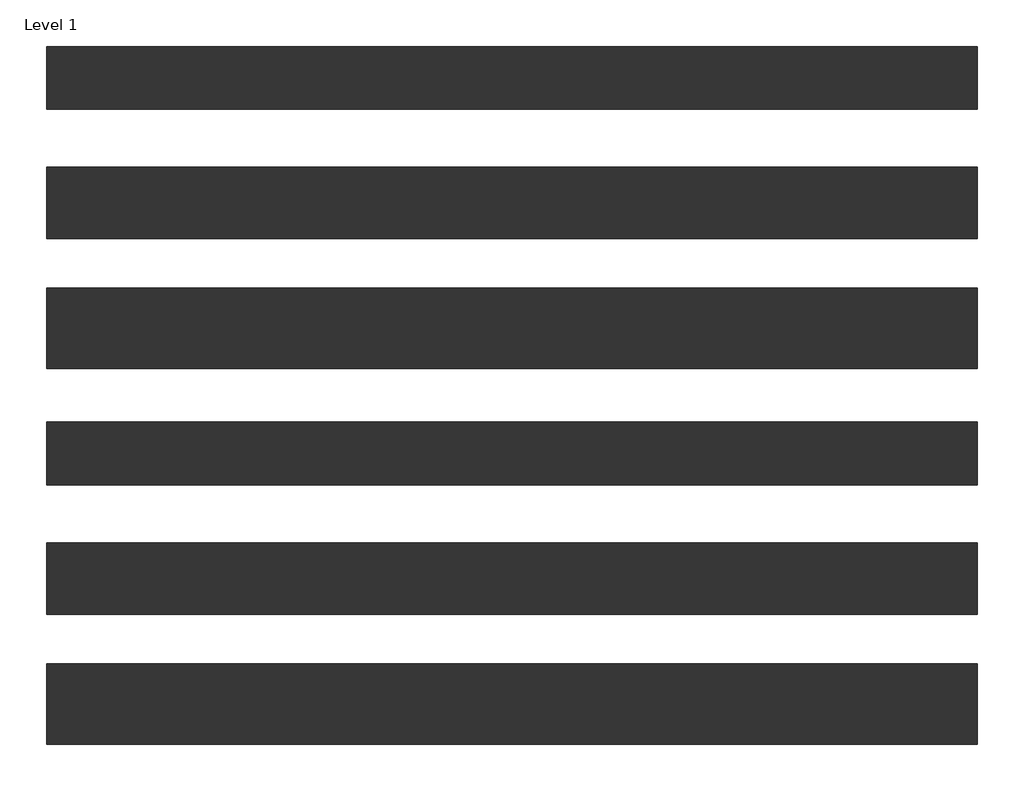
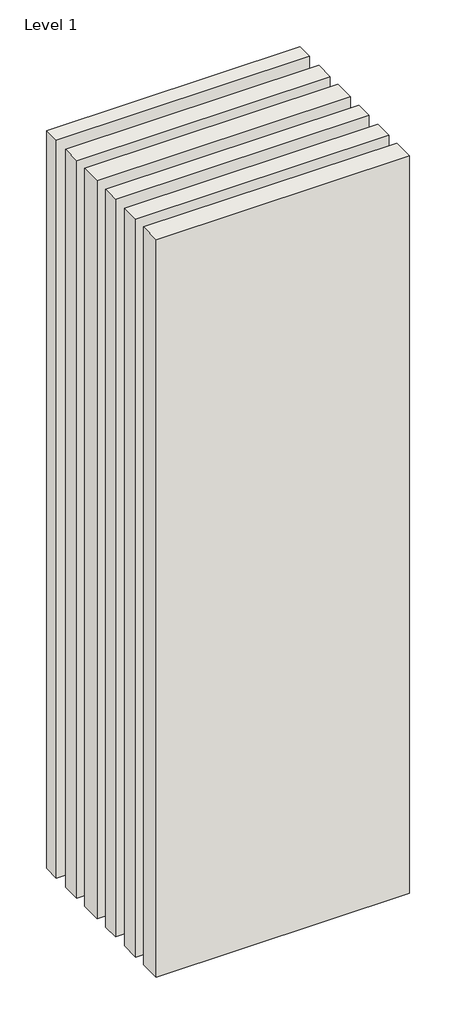
# One storey: 6 walls.
"""IFC4 building model written with IfcOpenShell, lengths in millimetres."""

from ifc_helpers import new_model, si_unit, origin, origin_with_axes, place, context, project, spatial, polyline, outline, extrude, element, save

model = new_model("IFC4")

# Units and contexts
model_context = context("Model", 3, world=origin())
ifc_project = project(units=[si_unit("LENGTHUNIT", "METRE", prefix="MILLI")], contexts=[model_context])

# Site, building, storey
site = spatial("IfcSite", under=ifc_project)
building = spatial("IfcBuilding", under=site)
storey = spatial("IfcBuildingStorey", under=building, Name="Level 1", Elevation=0.0)

# Walls
placement = place(None, origin())
element("IfcWall", 1, at=placement, inside=storey, context=model_context, shape_type="SweptSolid", body=[
    extrude(outline(polyline([(-16904.1464237, 4698.9042935), (-19504.1464237, 4698.9042935), (-19504.1464237, 4873.9042935), (-16904.1464237, 4873.9042935), (-16904.1464237, 4698.9042935)])), origin_with_axes(), (0.0, 0.0, 1.0), 8000.0),
])
element("IfcWall", 2, at=placement, inside=storey, context=model_context, shape_type="SweptSolid", body=[
    extrude(outline(polyline([(-16904.1464237, 4336.4042935), (-19504.1464237, 4336.4042935), (-19504.1464237, 4536.4042935), (-16904.1464237, 4536.4042935), (-16904.1464237, 4336.4042935)])), origin_with_axes(), (0.0, 0.0, 1.0), 8000.0),
])
element("IfcWall", 3, at=placement, inside=storey, context=model_context, shape_type="SweptSolid", body=[
    extrude(outline(polyline([(-16904.1464237, 3973.9042935), (-19504.1464237, 3973.9042935), (-19504.1464237, 4198.9042935), (-16904.1464237, 4198.9042935), (-16904.1464237, 3973.9042935)])), origin_with_axes(), (0.0, 0.0, 1.0), 8000.0),
])
element("IfcWall", 4, at=placement, inside=storey, context=model_context, shape_type="SweptSolid", body=[
    extrude(outline(polyline([(-16904.1464237, 3648.9042935), (-19504.1464237, 3648.9042935), (-19504.1464237, 3823.9042935), (-16904.1464237, 3823.9042935), (-16904.1464237, 3648.9042935)])), origin_with_axes(), (0.0, 0.0, 1.0), 8000.0),
])
element("IfcWall", 5, at=placement, inside=storey, context=model_context, shape_type="SweptSolid", body=[
    extrude(outline(polyline([(-16904.1464237, 3286.4042935), (-19504.1464237, 3286.4042935), (-19504.1464237, 3486.4042935), (-16904.1464237, 3486.4042935), (-16904.1464237, 3286.4042935)])), origin_with_axes(), (0.0, 0.0, 1.0), 8000.0),
])
element("IfcWall", 6, at=placement, inside=storey, context=model_context, shape_type="SweptSolid", body=[
    extrude(outline(polyline([(-16904.1464237, 2923.9042935), (-19504.1464237, 2923.9042935), (-19504.1464237, 3148.9042935), (-16904.1464237, 3148.9042935), (-16904.1464237, 2923.9042935)])), origin_with_axes(), (0.0, 0.0, 1.0), 8000.0),
])

save(model, "model.ifc")
